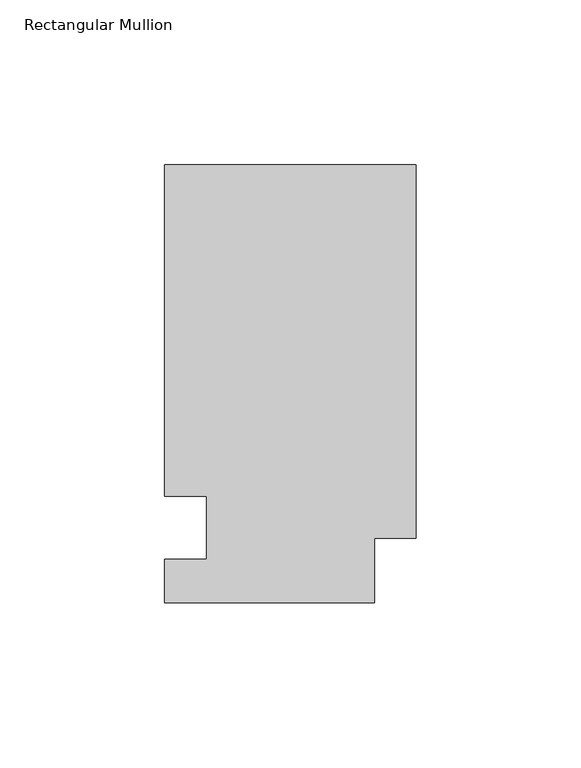
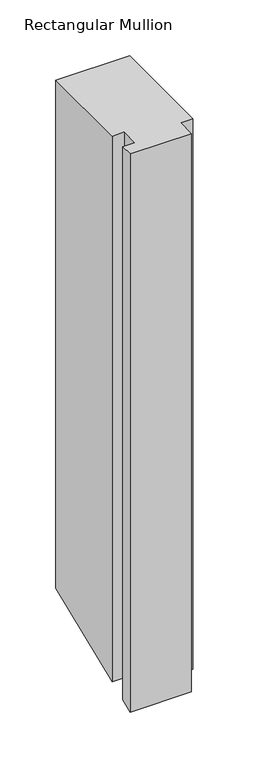
"""IFC4 building model written with IfcOpenShell, lengths in millimetres: member geometry, Rectangular Mullion."""

import ifcopenshell
import ifcopenshell.guid

model = None  # the IFC model being written
_history = None  # IfcOwnerHistory: only IFC2X3 demands one
_inside = {}  # id of a spatial element -> (the spatial element, [elements in it])
_under = {}  # id of a project, library or spatial element -> (it, [spatial elements below it])
_declared = {}  # id of a project -> (the project, [libraries it declares])
_typed = {}  # id of a type object -> (the type object, [elements of that type])
_made_of = {}  # id of a material, layer set ... -> (it, [elements and type objects made of it])


def new_model(schema):
    """Start an empty IFC model of exactly this schema.

    Asked for "IFC4X3", IfcOpenShell would pick the latest addendum, in which some entities
    have other attributes; the version numbers below select the first issue.
    IFC2X3 requires an IfcOwnerHistory on every rooted entity: one is made here for all.
    """
    global model, _history
    if schema == "IFC4X3":
        model = ifcopenshell.file(schema_version=(4, 3, 0, 0))
    else:
        model = ifcopenshell.file(schema=schema)
    _inside.clear()
    _under.clear()
    _declared.clear()
    _typed.clear()
    _made_of.clear()
    _history = None
    if model.schema == "IFC2X3":
        org = make("IfcOrganization", Name="unknown")
        user = make(
            "IfcPersonAndOrganization",
            ThePerson=make("IfcPerson", FamilyName="unknown"),
            TheOrganization=org,
        )
        app = make(
            "IfcApplication",
            ApplicationDeveloper=org,
            Version="unknown",
            ApplicationFullName="unknown",
            ApplicationIdentifier="unknown",
        )
        _history = make(
            "IfcOwnerHistory",
            OwningUser=user,
            OwningApplication=app,
            ChangeAction="ADDED",
            CreationDate=0,
        )
    return model


def make(cls, **values):
    """One entity of the class cls with the attributes given. An attribute that is None is left unset."""
    return model.create_entity(
        cls, **{name: value for name, value in values.items() if value is not None}
    )


def rooted(cls, **values):
    """An entity with a GlobalId (a new one), such as an element, a storey or a relation."""
    return make(cls, GlobalId=ifcopenshell.guid.new(), OwnerHistory=_history, **values)


def si_unit(unit_type, name, prefix=None):
    """IfcSIUnit, for example si_unit("LENGTHUNIT", "METRE", prefix="MILLI")."""
    return make("IfcSIUnit", UnitType=unit_type, Prefix=prefix, Name=name)


def assignment(units):
    """IfcUnitAssignment: the units of a project."""
    return None if units is None else make("IfcUnitAssignment", Units=units)


def point(xyz):
    """IfcCartesianPoint."""
    return None if xyz is None else make("IfcCartesianPoint", Coordinates=xyz)


def direction(xyz):
    """IfcDirection."""
    return None if xyz is None else make("IfcDirection", DirectionRatios=xyz)


def frame(location, z_axis=None, x_axis=None):
    """IfcAxis2Placement3D, a coordinate frame: its origin and axes. An axis left out is left unset."""
    return make(
        "IfcAxis2Placement3D",
        Location=point(location),
        Axis=direction(z_axis),
        RefDirection=direction(x_axis),
    )


def origin():
    """The frame at (0, 0, 0) with its axes left unset."""
    return frame((0.0, 0.0, 0.0))


def place(relative_to, where):
    """IfcLocalPlacement: puts the frame where relative to a parent placement (None: the world)."""
    return make(
        "IfcLocalPlacement", PlacementRelTo=relative_to, RelativePlacement=where
    )


def context(
    kind, dimensions, precision=None, world=None, true_north=None, identifier=None
):
    """IfcGeometricRepresentationContext, for example the 3D "Model" context."""
    return make(
        "IfcGeometricRepresentationContext",
        ContextIdentifier=identifier,
        ContextType=kind,
        CoordinateSpaceDimension=dimensions,
        Precision=precision,
        WorldCoordinateSystem=world,
        TrueNorth=true_north,
    )


def project(units=None, contexts=None):
    """IfcProject with its units and contexts."""
    return rooted(
        "IfcProject",
        Name="project",
        RepresentationContexts=contexts,
        UnitsInContext=assignment(units),
    )


def spatial(cls, under=None, at=None, **own):
    """A site, building, storey or space (cls), placed at a placement, below another one or the project."""
    s = rooted(cls, ObjectPlacement=at, **own)
    if under is not None:
        _under.setdefault(under.id(), (under, []))[1].append(s)
    return s


def faces_of(points, faces, orient=None, outer=None):
    """IfcFace entities. A face is a list of loops; a loop is a list of indices into points, from 0.

    orient and outer hold one flag for each loop. By default every Orientation is true, the
    first loop of a face is its IfcFaceOuterBound and the others are IfcFaceBound.
    """
    made = []
    for i, loops in enumerate(faces):
        bounds = []
        for j, loop in enumerate(loops):
            is_outer = j == 0 if outer is None else outer[i][j]
            bounds.append(
                make(
                    "IfcFaceOuterBound" if is_outer else "IfcFaceBound",
                    Bound=make("IfcPolyLoop", Polygon=[points[k] for k in loop]),
                    Orientation=True if orient is None else orient[i][j],
                )
            )
        made.append(make("IfcFace", Bounds=bounds))
    return made


def faceted_brep(points, faces, orient=None, outer=None, voids=None):
    """IfcFacetedBrep: a solid bounded by flat faces; with voids (closed shells), ...WithVoids."""
    shared = [point(p) for p in points]
    hull = make("IfcClosedShell", CfsFaces=faces_of(shared, faces, orient, outer))
    if voids is None:
        return make("IfcFacetedBrep", Outer=hull)
    return make(
        "IfcFacetedBrepWithVoids",
        Outer=hull,
        Voids=[
            make(cls, CfsFaces=faces_of(shared, fs, o, b)) for cls, fs, o, b in voids
        ],
    )


def shape(context_of_items, identifier, shape_type, items):
    """IfcShapeRepresentation: the items that make up one representation, for example the "Body"."""
    return make(
        "IfcShapeRepresentation",
        ContextOfItems=context_of_items,
        RepresentationIdentifier=identifier,
        RepresentationType=shape_type,
        Items=items,
    )


def source(mapping_origin, context_of_items, identifier, shape_type, items):
    """IfcRepresentationMap: a shape defined once, which mapped items show again and again."""
    return make(
        "IfcRepresentationMap",
        MappingOrigin=mapping_origin,
        MappedRepresentation=shape(context_of_items, identifier, shape_type, items),
    )


def transform(
    local_origin,
    x_axis=None,
    y_axis=None,
    z_axis=None,
    scale=None,
    scale2=None,
    scale3=None,
    uniform=True,
):
    """IfcCartesianTransformationOperator3D, or its non-uniform kind. x_axis, y_axis, z_axis: its Axis1, 2, 3."""
    if uniform:
        return make(
            "IfcCartesianTransformationOperator3D",
            Axis1=direction(x_axis),
            Axis2=direction(y_axis),
            LocalOrigin=point(local_origin),
            Scale=scale,
            Axis3=direction(z_axis),
        )
    return make(
        "IfcCartesianTransformationOperator3DnonUniform",
        Axis1=direction(x_axis),
        Axis2=direction(y_axis),
        LocalOrigin=point(local_origin),
        Scale=scale,
        Axis3=direction(z_axis),
        Scale2=scale2,
        Scale3=scale3,
    )


def mapped(mapping_source, mapping_target):
    """IfcMappedItem: shows the shape of a source again, moved by a transform."""
    return make(
        "IfcMappedItem", MappingSource=mapping_source, MappingTarget=mapping_target
    )


def made_of(thing, what):
    """Note that an element or type object is made of a material, layer set ...; save() writes the relation."""
    if what is not None:
        _made_of.setdefault(what.id(), (what, []))[1].append(thing)
    return thing


def element(
    cls,
    number,
    at=None,
    inside=None,
    cuts=None,
    type_object=None,
    material=None,
    context=None,
    identifier="Body",
    shape_type=None,
    held_by="IfcProductDefinitionShape",
    body=None,
    shapes=None,
    **own,
):
    """One element of the class cls, such as IfcWall. Its Tag is "e" and its number.

    at: its placement. inside: the storey or other place that contains it. cuts: it is an
    opening in that element (IfcRelVoidsElement). A single representation is given by context,
    identifier, shape_type and body (its items); several are given by shapes. held_by: the class
    of the entity that holds the representations. save() writes the other relations.
    """
    e = rooted(cls, Tag="e%d" % number, ObjectPlacement=at, **own)
    if body is not None:
        shapes = [shape(context, identifier, shape_type, body)]
    if shapes is not None:
        e.Representation = make(held_by, Representations=shapes)
    if inside is not None:
        _inside.setdefault(inside.id(), (inside, []))[1].append(e)
    if cuts is not None:
        rooted(
            "IfcRelVoidsElement", RelatingBuildingElement=cuts, RelatedOpeningElement=e
        )
    if type_object is not None:
        _typed.setdefault(type_object.id(), (type_object, []))[1].append(e)
    return made_of(e, material)


def aggregate(whole, parts):
    """IfcRelAggregates: a whole, such as a stair, and the parts it consists of."""
    return rooted("IfcRelAggregates", RelatingObject=whole, RelatedObjects=parts)


def save(model, path):
    """Write the relations noted so far, then the file.

    IfcRelAggregates (storeys below a building ...), IfcRelContainedInSpatialStructure (elements
    in a storey), IfcRelDefinesByType, IfcRelAssociatesMaterial and IfcRelDeclares: one each for
    every whole, place, type object, material and project.
    """
    for whole, parts in _under.values():
        aggregate(whole, parts)
    for where, things in _inside.values():
        rooted(
            "IfcRelContainedInSpatialStructure",
            RelatedElements=things,
            RelatingStructure=where,
        )
    for kind, things in _typed.values():
        rooted("IfcRelDefinesByType", RelatedObjects=things, RelatingType=kind)
    for what, things in _made_of.values():
        rooted("IfcRelAssociatesMaterial", RelatedObjects=things, RelatingMaterial=what)
    for by, libraries in _declared.values():
        rooted("IfcRelDeclares", RelatingContext=by, RelatedDefinitions=libraries)
    model.write(path)


def rectangular_mullion_b3316409(model_context):
    return source(origin(), model_context, "Body", "Brep", [
        faceted_brep([(0.0, 132.6522937, 0.0), (-76.2, 132.6522938, 0.0), (-76.2, 32.2460938, 0.0), (-63.5, 32.2460937, 0.0), (-63.5, 13.1960937, 0.0), (-76.2, 13.1960938, 0.0), (-76.2, 0.0134938, 0.0), (-12.7, 0.0134938, 0.0), (-12.7, 19.5460938, 0.0), (0.0, 19.5460937, 0.0), (0.0, 132.6522937, -554.6536208), (-76.2, 132.6522938, -554.6536208), (-76.2, 32.2460938, -596.2432306), (-63.5, 32.2460937, -596.2432306), (-63.5, 13.1960937, -604.133999), (-76.2, 13.1960938, -604.133999), (-76.2, 0.0134938, -609.5944107), (-12.7, 0.0134938, -609.5944107), (-12.7, 19.5460938, -601.5037429), (0.0, 19.5460937, -601.5037429)], [[[0, 1, 2, 3, 4, 5, 6, 7, 8, 9]], [[1, 0, 10, 11]], [[2, 1, 11, 12]], [[3, 2, 12, 13]], [[4, 3, 13, 14]], [[5, 4, 14, 15]], [[6, 5, 15, 16]], [[7, 6, 16, 17]], [[8, 7, 17, 18]], [[9, 8, 18, 19]], [[0, 9, 19, 10]], [[10, 19, 18, 17, 16, 15, 14, 13, 12, 11]]]),
    ])


if __name__ == "__main__":
    model = new_model("IFC4")
    model_context = context("Model", 3, world=origin())
    ifc_project = project(units=[si_unit("LENGTHUNIT", "METRE", prefix="MILLI")], contexts=[model_context])
    site = spatial("IfcSite", under=ifc_project)
    building = spatial("IfcBuilding", under=site)
    placement = place(None, origin())
    rectangular_mullion_shape = rectangular_mullion_b3316409(model_context)
    element("IfcMember", 1, ObjectType="Rectangular Mullion", at=placement, inside=building, context=model_context, shape_type="MappedRepresentation", body=[
        mapped(rectangular_mullion_shape, transform((0.0, 0.0, 0.0), x_axis=(1.0, 0.0, 0.0), y_axis=(0.0, 1.0, 0.0), z_axis=(0.0, 0.0, 1.0))),
    ])
    save(model, "model.ifc")
